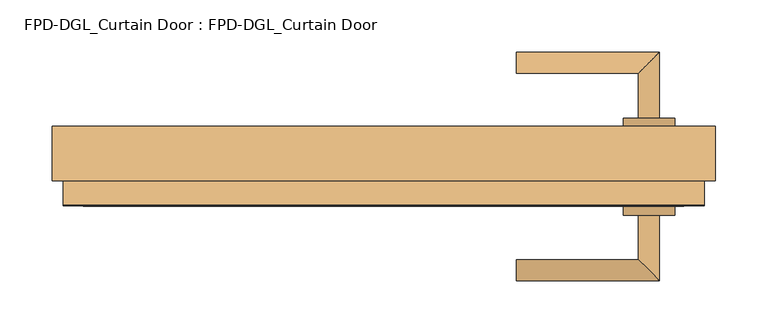
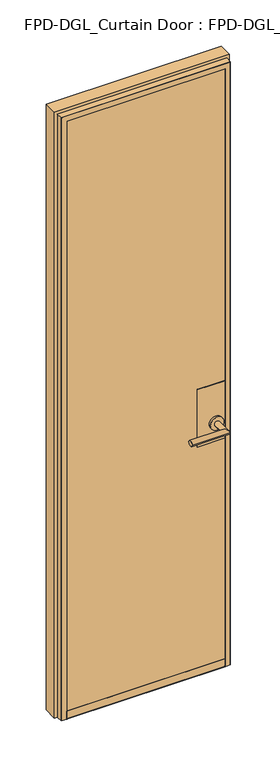
"""IFC4 building model written with IfcOpenShell, lengths in millimetres: door geometry, FPD-DGL_Curtain Door : FPD-DGL_Curtain Door."""

from ifc_helpers import new_model, si_unit, point, frame, frame_2d, origin, place, context, project, spatial, polyline, circle_curve, ellipse_curve, trimmed, segment, composite_curve, outline, extrude, source, transform, mapped, element, save
from ifc_brep_helpers import plane_surface, cylinder_surface, revolved_surface, advanced_brep


def fpd_dgl_curtain_door_fpd_dgl_curtain_door_8c84725b(model_context):
    return source(origin(), model_context, "Body", "SolidModel", [
        advanced_brep(
        [(127.1251644, -60.5934274, 965.2), (127.1251644, -80.665371, 965.2), (264.0467484, -80.665371, 965.2), (243.9748048, -60.5934274, 965.2), (243.9748048, -17.9591787, 965.2), (264.0467484, -17.9591787, 965.2)],
        [
            (0, 1, circle_curve(frame((127.1251644, -70.6293992, 965.2), z_axis=(-1.0, 0.0, 0.0), x_axis=(0.0, -1.0, 0.0)), 10.0359718)),
            (1, 0, circle_curve(frame((127.1251644, -70.6293992, 965.2), z_axis=(-1.0, 0.0, 0.0), x_axis=(0.0, -1.0, 0.0)), 10.0359718)),
            (1, 2),
            (2, 3, ellipse_curve(frame((254.0107766, -70.6293992, 965.2), z_axis=(-0.7071067811865464, -0.7071067811865488, 0.0), x_axis=(-0.7071067811865487, 0.7071067811865464, 0.0)), 14.1930074, 10.0359718)),
            (3, 0),
            (3, 2, ellipse_curve(frame((254.0107766, -70.6293992, 965.2), z_axis=(-0.7071067811865464, -0.7071067811865488, 0.0), x_axis=(-0.7071067811865487, 0.7071067811865464, 0.0)), 14.1930074, 10.0359718)),
            (4, 5, circle_curve(frame((254.0107766, -17.9591787, 965.2), z_axis=(0.0, 1.0, 0.0), x_axis=(1.0, 0.0, 0.0)), 10.0359718)),
            (5, 4, circle_curve(frame((254.0107766, -17.9591787, 965.2), z_axis=(0.0, 1.0, 0.0), x_axis=(1.0, 0.0, 0.0)), 10.0359718)),
            (2, 5),
            (4, 3),
        ],
        [
            plane_surface(frame((127.1251644, -70.6293992, 965.2), z_axis=(-1.0, 0.0, 0.0), x_axis=(0.0, 0.0, 1.0))),
            cylinder_surface(frame((127.1251644, -70.6293992, 965.2), z_axis=(-1.0, 0.0, 0.0), x_axis=(0.0, -1.0, 0.0)), 10.0359718),
            plane_surface(frame((254.0107766, -17.9591787, 965.2), z_axis=(0.0, 1.0, 0.0), x_axis=(0.0, 0.0, 1.0))),
            cylinder_surface(frame((254.0107766, -70.6293992, 965.2), z_axis=(0.0, -1.0, 0.0), x_axis=(1.0, 0.0, 0.0)), 10.0359718),
        ],
        [
            (0, [[1, 2]]),
            (1, [[3, 4, 5, -2]]),
            (1, [[-5, 6, -3, -1]]),
            (2, [[7, 8]]),
            (3, [[9, -7, 10, -4]]),
            (3, [[-10, -8, -9, -6]]),
        ],
    ),
        advanced_brep(
        [(243.9748048, 74.9049066, 965.2), (264.0467484, 74.9049066, 965.2), (264.0467484, 137.6110989, 965.2), (243.9748048, 117.5391553, 965.2), (127.1251644, 117.5391553, 965.2), (127.1251644, 137.6110989, 965.2)],
        [
            (0, 1, circle_curve(frame((254.0107766, 74.9049066, 965.2), z_axis=(0.0, -1.0, 0.0), x_axis=(1.0, 0.0, 0.0)), 10.0359718)),
            (1, 0, circle_curve(frame((254.0107766, 74.9049066, 965.2), z_axis=(0.0, -1.0, 0.0), x_axis=(1.0, 0.0, 0.0)), 10.0359718)),
            (1, 2),
            (2, 3, ellipse_curve(frame((254.0107766, 127.5751271, 965.2), z_axis=(0.7071067811865487, -0.7071067811865464, 0.0), x_axis=(-0.7071067811865464, -0.7071067811865487, 0.0)), 14.1930074, 10.0359718)),
            (3, 0),
            (3, 2, ellipse_curve(frame((254.0107766, 127.5751271, 965.2), z_axis=(0.7071067811865487, -0.7071067811865464, 0.0), x_axis=(-0.7071067811865464, -0.7071067811865487, 0.0)), 14.1930074, 10.0359718)),
            (4, 5, circle_curve(frame((127.1251644, 127.5751271, 965.2), z_axis=(-1.0, 0.0, 0.0), x_axis=(0.0, 1.0, 0.0)), 10.0359718)),
            (5, 4, circle_curve(frame((127.1251644, 127.5751271, 965.2), z_axis=(-1.0, 0.0, 0.0), x_axis=(0.0, 1.0, 0.0)), 10.0359718)),
            (2, 5),
            (4, 3),
        ],
        [
            plane_surface(frame((254.0107766, 74.9049066, 965.2), z_axis=(0.0, -1.0, 0.0), x_axis=(0.0, 0.0, 1.0))),
            cylinder_surface(frame((254.0107766, 74.9049066, 965.2), z_axis=(0.0, -1.0, 0.0), x_axis=(1.0, 0.0, 0.0)), 10.0359718),
            plane_surface(frame((127.1251644, 127.5751271, 965.2), z_axis=(-1.0, 0.0, 0.0), x_axis=(0.0, 0.0, 1.0))),
            cylinder_surface(frame((254.0107766, 127.5751271, 965.2), z_axis=(1.0, 0.0, 0.0), x_axis=(0.0, 1.0, 0.0)), 10.0359718),
        ],
        [
            (0, [[1, 2]]),
            (1, [[3, 4, 5, -2]]),
            (1, [[-5, 6, -3, -1]]),
            (2, [[7, 8]]),
            (3, [[9, -7, 10, -4]]),
            (3, [[-10, -8, -9, -6]]),
        ],
    ),
        extrude(outline(composite_curve([segment(trimmed(circle_curve(frame_2d((965.2, 254.0107766)), 24.60625), [point((965.2, 229.4045266))], [point((965.2, 278.6170266))], False, "CARTESIAN"), True, "CONTINUOUS"), segment(trimmed(circle_curve(frame_2d((965.2, 254.0107766)), 24.60625), [point((965.2, 278.6170266))], [point((965.2, 229.4045266))], False, "CARTESIAN"), True, "CONTINUOUS")], self_intersect=False)), frame((0.0, 66.5750959, 0.0), z_axis=(0.0, 1.0, 0.0), x_axis=(0.0, 0.0, 1.0)), (0.0, 0.0, 1.0), 8.3298107),
        extrude(outline(composite_curve([segment(trimmed(circle_curve(frame_2d((965.2, 254.0107766)), 24.60625), [point((965.2, 229.4045266))], [point((965.2, 278.6170266))], False, "CARTESIAN"), True, "CONTINUOUS"), segment(trimmed(circle_curve(frame_2d((965.2, 254.0107766)), 24.60625), [point((965.2, 278.6170266))], [point((965.2, 229.4045266))], False, "CARTESIAN"), True, "CONTINUOUS")], self_intersect=False)), frame((0.0, -17.9591787, 0.0), z_axis=(0.0, 1.0, 0.0), x_axis=(0.0, 0.0, 1.0)), (0.0, 0.0, 1.0), 8.3342763),
        extrude(outline(polyline([(287.5108366, 66.5750959), (287.5108366, 65.1750989), (187.510724, 65.1750989), (187.510724, 66.5750959), (287.5108366, 66.5750959)])), frame((0.0, 0.0, 893.55), z_axis=(0.0, 0.0, 1.0), x_axis=(1.0, 0.0, 0.0)), (0.0, 0.0, 1.0), 220.0),
        extrude(outline(polyline([(287.5108366, -8.2249054), (287.5108366, -9.6249024), (187.510724, -9.6249024), (187.510724, -8.2249054), (287.5108366, -8.2249054)])), frame((0.0, 0.0, 893.55), z_axis=(0.0, 0.0, 1.0), x_axis=(1.0, 0.0, 0.0)), (0.0, 0.0, 1.0), 220.0),
        extrude(outline(polyline([(-298.1070077, 0.4719519), (298.1070077, 0.4719519), (298.1070077, -8.2249054), (-298.1070077, -8.2249054), (-298.1070077, 0.4719519)])), frame((0.0, 0.0, 35.2749614), z_axis=(0.0, 0.0, 1.0), x_axis=(1.0, 0.0, 0.0)), (0.0, 0.0, 1.0), 2285.3059042),
        extrude(outline(polyline([(298.1070077, 56.6512398), (-298.1070077, 56.6512398), (-298.1070077, 65.3480971), (298.1070077, 65.3480971), (298.1070077, 56.6512398)])), frame((0.0, 0.0, 35.2749614), z_axis=(0.0, 0.0, 1.0), x_axis=(1.0, 0.0, 0.0)), (0.0, 0.0, 1.0), 2285.3059042),
        advanced_brep(
        [(317.5, 66.6481917, 15.875), (317.5, 14.6248264, 15.875), (307.1853377, 14.6248264, 15.875), (307.1853377, -8.7247247, 15.875), (306.3856267, -9.5244357, 15.875), (287.5108366, -9.5244357, 15.875), (287.5108366, -8.2249054, 15.875), (298.1070077, -8.2249054, 15.875), (298.1070077, 0.4719519, 15.875), (287.5108366, 0.4719519, 15.875), (287.5108366, 56.651804, 15.875), (298.1070078, 56.651804, 15.875), (298.1070078, 65.348661, 15.875), (287.5108366, 65.348661, 15.875), (287.5108366, 66.6481917, 15.875), (287.5108366, 66.6481917, 2309.9846944), (-287.5108366, 66.6481917, 2309.9846944), (-287.5108366, 66.6481917, 15.875), (-317.5, 66.6481917, 15.875), (-317.5, 66.6481917, 2339.9738578), (317.5, 66.6481917, 2339.9738578), (287.5108366, 65.348661, 2309.9846944), (298.1070078, 65.348661, 2320.5808656), (-298.1070078, 65.348661, 2320.5808656), (-298.1070078, 65.348661, 15.875), (-287.5108366, 65.348661, 15.875), (-287.5108366, 65.348661, 2309.9846944), (298.1070078, 56.651804, 2320.5808656), (287.5108366, 56.651804, 2309.9846944), (-287.5108366, 56.651804, 2309.9846944), (-287.5108366, 56.651804, 15.875), (-298.1070078, 56.651804, 15.875), (-298.1070078, 56.651804, 2320.5808656), (287.5108366, 0.4719519, 2309.9846944), (298.1070077, 0.4719519, 2320.5808655), (-298.1070077, 0.4719519, 2320.5808655), (-298.1070077, 0.4719519, 15.875), (-287.5108366, 0.4719519, 15.875), (-287.5108366, 0.4719519, 2309.9846944), (298.1070077, -8.2249054, 2320.5808655), (287.5108366, -8.2249054, 2309.9846944), (-287.5108366, -8.2249054, 2309.9846944), (-287.5108366, -8.2249054, 15.875), (-298.1070077, -8.2249054, 15.875), (-298.1070077, -8.2249054, 2320.5808655), (287.5108366, -9.5244357, 2309.9846944), (306.3856267, -9.5244357, 2328.8594845), (-306.3856267, -9.5244357, 2328.8594845), (-306.3856267, -9.5244357, 15.875), (-287.5108366, -9.5244357, 15.875), (-287.5108366, -9.5244357, 2309.9846944), (307.1853377, -8.7247247, 2329.6591955), (307.1853377, 14.6248264, 2329.6591955), (317.5, 14.6248264, 2339.9738578), (-317.5, 14.6248264, 2339.9738578), (-317.5, 14.6248264, 15.875), (-307.1853377, 14.6248264, 15.875), (-307.1853377, 14.6248264, 2329.6591955), (-307.1853377, -8.7247247, 15.875), (-307.1853377, -8.7247247, 2329.6591955)],
        [
            (0, 1),
            (1, 2),
            (2, 3),
            (3, 4, circle_curve(frame((306.3856267, -8.7247247, 15.875), z_axis=(0.0, 0.0, -1.0), x_axis=(0.0, 1.0, 0.0)), 0.799711)),
            (4, 5),
            (5, 6),
            (6, 7),
            (7, 8),
            (8, 9),
            (9, 10),
            (10, 11),
            (11, 12),
            (12, 13),
            (13, 14),
            (14, 0),
            (14, 15),
            (15, 16),
            (16, 17),
            (17, 18),
            (18, 19),
            (19, 20),
            (20, 0),
            (13, 21),
            (21, 15),
            (12, 22),
            (22, 23),
            (23, 24),
            (24, 25),
            (25, 26),
            (26, 21),
            (11, 27),
            (27, 22),
            (10, 28),
            (28, 29),
            (29, 30),
            (30, 31),
            (31, 32),
            (32, 27),
            (9, 33),
            (33, 28),
            (8, 34),
            (34, 35),
            (35, 36),
            (36, 37),
            (37, 38),
            (38, 33),
            (7, 39),
            (39, 34),
            (6, 40),
            (40, 41),
            (41, 42),
            (42, 43),
            (43, 44),
            (44, 39),
            (5, 45),
            (45, 40),
            (4, 46),
            (46, 47),
            (47, 48),
            (48, 49),
            (49, 50),
            (50, 45),
            (3, 51),
            (51, 46, ellipse_curve(frame((306.3856267, -8.7247247, 2328.8594845), z_axis=(0.7071067811865475, 0.0, -0.7071067811865475), x_axis=(-0.7071067811865474, 0.0, -0.7071067811865476)), 1.1309622, 0.799711)),
            (2, 52),
            (52, 51),
            (1, 53),
            (53, 54),
            (54, 55),
            (55, 56),
            (56, 57),
            (57, 52),
            (20, 53),
            (18, 55),
            (54, 19),
            (17, 25),
            (24, 31),
            (30, 37),
            (36, 43),
            (42, 49),
            (48, 58, circle_curve(frame((-306.3856267, -8.7247247, 15.875), z_axis=(0.0, 0.0, -1.0), x_axis=(0.0, 1.0, 0.0)), 0.799711)),
            (58, 56),
            (16, 26),
            (23, 32),
            (29, 38),
            (35, 44),
            (41, 50),
            (59, 58),
            (47, 59, ellipse_curve(frame((-306.3856267, -8.7247247, 2328.8594845), z_axis=(-0.7071067811865475, 0.0, -0.7071067811865475), x_axis=(-0.7071067811865474, 0.0, 0.7071067811865476)), 1.1309622, 0.799711)),
            (59, 57),
            (51, 59),
        ],
        [
            plane_surface(frame((317.5, 28.5615959, 15.875), z_axis=(0.0, 0.0, -1.0), x_axis=(0.0, 1.0, 0.0))),
            plane_surface(frame((317.5, 66.6481917, 15.875), z_axis=(0.0, 1.0, 0.0), x_axis=(0.0, 0.0, 1.0))),
            plane_surface(frame((287.5108366, 66.6481917, 15.875), z_axis=(-1.0, 0.0, 0.0), x_axis=(0.0, 0.0, 1.0))),
            plane_surface(frame((287.5108366, 65.348661, 15.875), z_axis=(0.0, -1.0, 0.0), x_axis=(0.0, 0.0, 1.0))),
            plane_surface(frame((298.1070078, 65.348661, 15.875), z_axis=(-1.0, 0.0, 0.0), x_axis=(0.0, 0.0, 1.0))),
            plane_surface(frame((298.1070078, 56.651804, 15.875), z_axis=(0.0, 1.0, 0.0), x_axis=(0.0, 0.0, 1.0))),
            plane_surface(frame((287.5108366, 56.651804, 15.875), z_axis=(-1.0, 0.0, 0.0), x_axis=(0.0, 0.0, 1.0))),
            plane_surface(frame((287.5108366, 0.4719519, 15.875), z_axis=(0.0, -1.0, 0.0), x_axis=(0.0, 0.0, 1.0))),
            plane_surface(frame((298.1070077, 0.4719519, 15.875), z_axis=(-1.0, 0.0, 0.0), x_axis=(0.0, 0.0, 1.0))),
            plane_surface(frame((298.1070077, -8.2249054, 15.875), z_axis=(0.0, 1.0, 0.0), x_axis=(0.0, 0.0, 1.0))),
            plane_surface(frame((287.5108366, -8.2249054, 15.875), z_axis=(-1.0, 0.0, 0.0), x_axis=(0.0, 0.0, 1.0))),
            plane_surface(frame((287.5108366, -9.5244357, 15.875), z_axis=(0.0, -1.0, 0.0), x_axis=(0.0, 0.0, 1.0))),
            cylinder_surface(frame((306.3856267, -8.7247247, 15.875), z_axis=(0.0, 0.0, -1.0), x_axis=(0.0, 1.0, 0.0)), 0.799711),
            plane_surface(frame((307.1853377, -8.7247247, 15.875), z_axis=(1.0, 0.0, 0.0), x_axis=(0.0, 0.0, 1.0))),
            plane_surface(frame((307.1853377, 14.6248264, 15.875), z_axis=(0.0, -1.0, 0.0), x_axis=(0.0, 0.0, 1.0))),
            plane_surface(frame((317.5, 14.6248264, 15.875), z_axis=(1.0, 0.0, 0.0), x_axis=(0.0, 0.0, 1.0))),
            plane_surface(frame((-317.5, 14.6248264, 2339.9738578), z_axis=(-1.0, 0.0, 0.0), x_axis=(0.0, 0.0, -1.0))),
            plane_surface(frame((-317.5, 28.5615959, 15.875), z_axis=(0.0, 0.0, -1.0), x_axis=(0.0, 1.0, 0.0))),
            plane_surface(frame((-287.5108366, 66.6481917, 2309.9846944), z_axis=(1.0, 0.0, 0.0), x_axis=(0.0, 0.0, -1.0))),
            plane_surface(frame((-298.1070078, 65.348661, 2320.5808656), z_axis=(1.0, 0.0, 0.0), x_axis=(0.0, 0.0, -1.0))),
            plane_surface(frame((-287.5108366, 56.651804, 2309.9846944), z_axis=(1.0, 0.0, 0.0), x_axis=(0.0, 0.0, -1.0))),
            plane_surface(frame((-298.1070077, 0.4719519, 2320.5808655), z_axis=(1.0, 0.0, 0.0), x_axis=(0.0, 0.0, -1.0))),
            plane_surface(frame((-287.5108366, -8.2249054, 2309.9846944), z_axis=(1.0, 0.0, 0.0), x_axis=(0.0, 0.0, -1.0))),
            cylinder_surface(frame((-306.3856267, -8.7247247, 2339.9738578), z_axis=(0.0, 0.0, 1.0), x_axis=(0.0, 1.0, 0.0)), 0.799711),
            plane_surface(frame((-307.1853377, -8.7247247, 2329.6591955), z_axis=(-1.0, 0.0, 0.0), x_axis=(0.0, 0.0, -1.0))),
            plane_surface(frame((287.5108366, 66.6481917, 2309.9846944), z_axis=(0.0, 0.0, -1.0), x_axis=(-1.0, 0.0, 0.0))),
            plane_surface(frame((298.1070078, 65.348661, 2320.5808656), z_axis=(0.0, 0.0, -1.0), x_axis=(-1.0, 0.0, 0.0))),
            plane_surface(frame((287.5108366, 56.651804, 2309.9846944), z_axis=(0.0, 0.0, -1.0), x_axis=(-1.0, 0.0, 0.0))),
            plane_surface(frame((298.1070077, 0.4719519, 2320.5808655), z_axis=(0.0, 0.0, -1.0), x_axis=(-1.0, 0.0, 0.0))),
            plane_surface(frame((287.5108366, -8.2249054, 2309.9846944), z_axis=(0.0, 0.0, -1.0), x_axis=(-1.0, 0.0, 0.0))),
            cylinder_surface(frame((317.5, -8.7247247, 2328.8594845), z_axis=(1.0, 0.0, 0.0), x_axis=(0.0, 1.0, 0.0)), 0.799711),
            plane_surface(frame((307.1853377, -8.7247247, 2329.6591955), z_axis=(0.0, 0.0, 1.0), x_axis=(-1.0, 0.0, 0.0))),
            plane_surface(frame((317.5, 14.6248264, 2339.9738578), z_axis=(0.0, 0.0, 1.0), x_axis=(-1.0, 0.0, 0.0))),
        ],
        [
            (0, [[1, 2, 3, 4, 5, 6, 7, 8, 9, 10, 11, 12, 13, 14, 15]]),
            (1, [[16, 17, 18, 19, 20, 21, 22, -15]]),
            (2, [[23, 24, -16, -14]]),
            (3, [[25, 26, 27, 28, 29, 30, -23, -13]]),
            (4, [[31, 32, -25, -12]]),
            (5, [[33, 34, 35, 36, 37, 38, -31, -11]]),
            (6, [[39, 40, -33, -10]]),
            (7, [[41, 42, 43, 44, 45, 46, -39, -9]]),
            (8, [[47, 48, -41, -8]]),
            (9, [[49, 50, 51, 52, 53, 54, -47, -7]]),
            (10, [[55, 56, -49, -6]]),
            (11, [[57, 58, 59, 60, 61, 62, -55, -5]]),
            (12, [[63, 64, -57, -4]]),
            (13, [[65, 66, -63, -3]]),
            (14, [[67, 68, 69, 70, 71, 72, -65, -2]]),
            (15, [[-22, 73, -67, -1]]),
            (16, [[-20, 74, -69, 75]]),
            (17, [[-19, 76, -28, 77, -36, 78, -44, 79, -52, 80, -60, 81, 82, -70, -74]]),
            (18, [[-29, -76, -18, 83]]),
            (19, [[-37, -77, -27, 84]]),
            (20, [[-45, -78, -35, 85]]),
            (21, [[-53, -79, -43, 86]]),
            (22, [[-61, -80, -51, 87]]),
            (23, [[88, -81, -59, 89]]),
            (24, [[-71, -82, -88, 90]]),
            (25, [[-30, -83, -17, -24]]),
            (26, [[-38, -84, -26, -32]]),
            (27, [[-46, -85, -34, -40]]),
            (28, [[-54, -86, -42, -48]]),
            (29, [[-62, -87, -50, -56]]),
            (30, [[91, -89, -58, -64]]),
            (31, [[-72, -90, -91, -66]]),
            (32, [[-21, -75, -68, -73]]),
        ],
    ),
        advanced_brep(
        [(287.5108366, 0.447108, 45.8749402), (287.5108366, 0.447108, 35.2749613), (287.5108366, -8.2528651, 35.2749613), (287.5108366, -8.2528651, 43.0952791), (287.5108366, -8.1528654, 44.0749434), (287.5108366, -8.1528654, 45.8749402), (287.5108366, -9.5528625, 45.8749402), (287.5108366, -9.5528625, 16.6749984), (287.5108366, -8.7528641, 15.875), (287.5108366, 66.6471375, 15.875), (287.5108366, 66.6471375, 45.8749402), (287.5108366, 65.2471405, 45.8749402), (287.5108366, 65.2471405, 44.0749436), (287.5108366, 65.3471402, 43.0952793), (287.5108366, 65.3471402, 35.7749604), (287.5108366, 64.8471409, 35.2749614), (287.5108366, 56.6471576, 35.2749614), (287.5108366, 56.6471576, 45.8749402), (-287.7882577, 0.447108, 45.8749402), (-287.7882577, 56.6471576, 45.8749402), (-287.7882577, 56.6471576, 35.2749614), (-287.7882577, 64.8471409, 35.2749614), (-287.7882577, 65.3471399, 35.7749604), (-287.7882577, 65.3471402, 43.0952793), (-287.7882577, 65.2471405, 44.0749436), (-287.7882577, 65.2471405, 45.8749402), (-287.7882577, 66.6471375, 45.8749402), (-287.7882577, 66.6471375, 15.875), (-287.7882577, -8.7528641, 15.875), (-287.7882577, -9.5528625, 16.6749984), (-287.7882577, -9.5528625, 45.8749402), (-287.7882577, -8.1528654, 45.8749402), (-287.7882577, -8.1528654, 44.0749434), (-287.7882577, -8.2528651, 43.0952791), (-287.7882577, -8.2528651, 35.2749613), (-287.7882577, 0.447108, 35.2749613)],
        [
            (0, 1),
            (1, 2),
            (2, 3),
            (3, 4),
            (4, 5),
            (5, 6),
            (6, 7),
            (7, 8, circle_curve(frame((287.5108366, -8.7528641, 16.6749984), z_axis=(1.0, 0.0, 0.0), x_axis=(0.0, 0.0, -1.0)), 0.7999984)),
            (8, 9),
            (9, 10),
            (10, 11),
            (11, 12),
            (12, 13),
            (13, 14),
            (14, 15, circle_curve(frame((287.5108366, 64.8471409, 35.7749604), z_axis=(-1.0, 0.0, 0.0), x_axis=(0.0, 0.0, -1.0)), 0.499999)),
            (15, 16),
            (16, 17),
            (17, 0),
            (18, 19),
            (19, 20),
            (20, 21),
            (21, 22, circle_curve(frame((-287.7882577, 64.8471409, 35.7749604), z_axis=(1.0, 0.0, 0.0), x_axis=(0.0, 0.0, -1.0)), 0.499999)),
            (22, 23),
            (23, 24),
            (24, 25),
            (25, 26),
            (26, 27),
            (27, 28),
            (28, 29, circle_curve(frame((-287.7882577, -8.7528641, 16.6749984), z_axis=(-1.0, 0.0, 0.0), x_axis=(0.0, 0.0, -1.0)), 0.7999984)),
            (29, 30),
            (30, 31),
            (31, 32),
            (32, 33),
            (33, 34),
            (34, 35),
            (35, 18),
            (17, 19),
            (18, 0),
            (16, 20),
            (15, 21),
            (14, 22),
            (13, 23),
            (12, 24),
            (11, 25),
            (10, 26),
            (9, 27),
            (8, 28),
            (7, 29),
            (6, 30),
            (5, 31),
            (4, 32),
            (3, 33),
            (2, 34),
            (1, 35),
        ],
        [
            plane_surface(frame((287.5108366, 28.5615959, 15.875), z_axis=(1.0, 0.0, 0.0), x_axis=(0.0, 1.0, 0.0))),
            plane_surface(frame((-287.7882577, 28.5615959, 15.875), z_axis=(-1.0, 0.0, 0.0), x_axis=(0.0, 1.0, 0.0))),
            plane_surface(frame((287.5108366, 0.447108, 45.8749402), z_axis=(0.0, 0.0, 1.0), x_axis=(-1.0, 0.0, 0.0))),
            plane_surface(frame((287.5108366, 56.6471576, 45.8749402), z_axis=(0.0, 1.0, 0.0), x_axis=(-1.0, 0.0, 0.0))),
            plane_surface(frame((287.5108366, 56.6471576, 35.2749614), z_axis=(0.0, 0.0, 1.0), x_axis=(-1.0, 0.0, 0.0))),
            revolved_surface(polyline([(-287.7882577, 64.8471409, 35.274961399999995), (287.5108366, 64.8471409, 35.274961399999995)]), (287.5108366, 64.8471409, 35.7749604), (-1.0, 0.0, 0.0)),
            plane_surface(frame((287.5108366, 65.3471402, 35.7749604), z_axis=(0.0, -1.0, 0.0), x_axis=(-1.0, 0.0, 0.0))),
            plane_surface(frame((287.5108366, 65.3471402, 43.0952793), z_axis=(0.0, -0.9948306566600448, -0.10154784374541988), x_axis=(-1.0, 0.0, 0.0))),
            plane_surface(frame((287.5108366, 65.2471405, 44.0749436), z_axis=(0.0, -1.0, 0.0), x_axis=(-1.0, 0.0, 0.0))),
            plane_surface(frame((287.5108366, 65.2471405, 45.8749402), z_axis=(0.0, 0.0, 1.0), x_axis=(-1.0, 0.0, 0.0))),
            plane_surface(frame((287.5108366, 66.6471375, 45.8749402), z_axis=(0.0, 1.0, 0.0), x_axis=(-1.0, 0.0, 0.0))),
            plane_surface(frame((287.5108366, 66.6471375, 15.875), z_axis=(0.0, 0.0, -1.0), x_axis=(-1.0, 0.0, 0.0))),
            cylinder_surface(frame((287.5108366, -8.7528641, 16.6749984), z_axis=(1.0, 0.0, 0.0), x_axis=(0.0, 0.0, -1.0)), 0.7999984),
            plane_surface(frame((287.5108366, -9.5528625, 16.6749984), z_axis=(0.0, -1.0, 0.0), x_axis=(-1.0, 0.0, 0.0))),
            plane_surface(frame((287.5108366, -9.5528625, 45.8749402), z_axis=(0.0, 0.0, 1.0), x_axis=(-1.0, 0.0, 0.0))),
            plane_surface(frame((287.5108366, -8.1528654, 45.8749402), z_axis=(0.0, 1.0, 0.0), x_axis=(-1.0, 0.0, 0.0))),
            plane_surface(frame((287.5108366, -8.1528654, 44.0749434), z_axis=(0.0, 0.9948306566625575, -0.10154784372080249), x_axis=(-1.0, 0.0, 0.0))),
            plane_surface(frame((287.5108366, -8.2528651, 43.0952791), z_axis=(0.0, 1.0, 0.0), x_axis=(-1.0, 0.0, 0.0))),
            plane_surface(frame((287.5108366, -8.2528651, 35.2749613), z_axis=(0.0, 0.0, 1.0), x_axis=(-1.0, 0.0, 0.0))),
            plane_surface(frame((287.5108366, 0.447108, 35.2749613), z_axis=(0.0, -1.0, 0.0), x_axis=(-1.0, 0.0, 0.0))),
        ],
        [
            (0, [[1, 2, 3, 4, 5, 6, 7, 8, 9, 10, 11, 12, 13, 14, 15, 16, 17, 18]]),
            (1, [[19, 20, 21, 22, 23, 24, 25, 26, 27, 28, 29, 30, 31, 32, 33, 34, 35, 36]]),
            (2, [[37, -19, 38, -18]]),
            (3, [[39, -20, -37, -17]]),
            (4, [[40, -21, -39, -16]]),
            (5, [[41, -22, -40, -15]]),
            (6, [[42, -23, -41, -14]]),
            (7, [[43, -24, -42, -13]]),
            (8, [[44, -25, -43, -12]]),
            (9, [[45, -26, -44, -11]]),
            (10, [[46, -27, -45, -10]]),
            (11, [[47, -28, -46, -9]]),
            (12, [[48, -29, -47, -8]]),
            (13, [[49, -30, -48, -7]]),
            (14, [[50, -31, -49, -6]]),
            (15, [[51, -32, -50, -5]]),
            (16, [[52, -33, -51, -4]]),
            (17, [[53, -34, -52, -3]]),
            (18, [[54, -35, -53, -2]]),
            (19, [[-38, -36, -54, -1]]),
        ],
    ),
    ])


if __name__ == "__main__":
    model = new_model("IFC4")
    model_context = context("Model", 3, world=origin())
    ifc_project = project(units=[si_unit("LENGTHUNIT", "METRE", prefix="MILLI")], contexts=[model_context])
    site = spatial("IfcSite", under=ifc_project)
    building = spatial("IfcBuilding", under=site)
    placement = place(None, origin())
    fpd_dgl_curtain_door_fpd_dgl_curtain_door_shape = fpd_dgl_curtain_door_fpd_dgl_curtain_door_8c84725b(model_context)
    element("IfcDoor", 1, ObjectType="FPD-DGL_Curtain Door : FPD-DGL_Curtain Door", at=placement, inside=building, context=model_context, shape_type="MappedRepresentation", body=[
        mapped(fpd_dgl_curtain_door_fpd_dgl_curtain_door_shape, transform((0.0, 0.0, 0.0), x_axis=(1.0, 0.0, 0.0), y_axis=(0.0, 1.0, 0.0), z_axis=(0.0, 0.0, 1.0))),
    ])
    save(model, "model.ifc")
